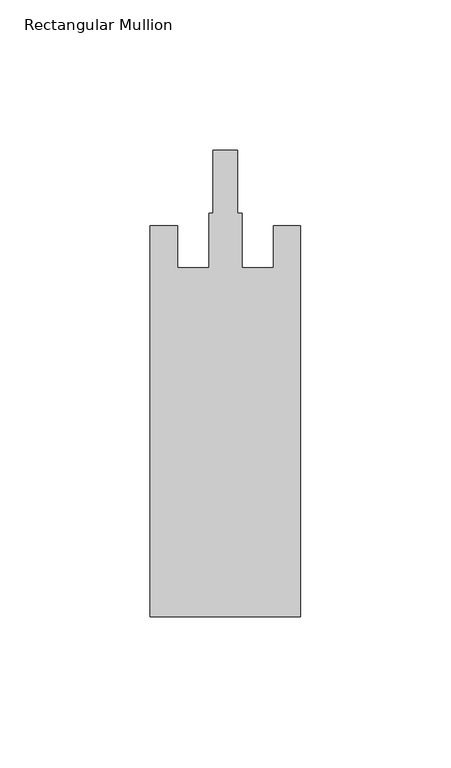
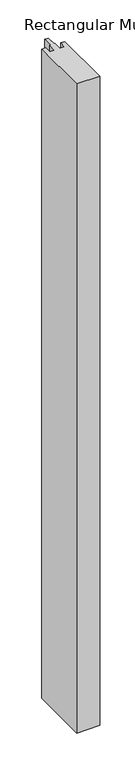
"""IFC4 building model written with IfcOpenShell, lengths in millimetres: member geometry, Rectangular Mullion."""

from ifc_helpers import new_model, si_unit, frame, origin, place, context, project, spatial, polyline, outline, extrude, source, transform, mapped, element, save


def rectangular_mullion_470472ae(model_context):
    return source(origin(), model_context, "Body", "SweptSolid", [
        extrude(outline(polyline([(0.0, -162.0), (-50.0, -162.0), (-50.0, -32.0), (-41.0, -32.0), (-41.0, -46.0), (-30.5, -46.0), (-30.5, -27.8), (-29.1, -27.8), (-29.1, -7.0), (-20.9, -7.0), (-20.9, -27.8), (-19.5, -27.8), (-19.5, -46.0), (-9.0, -46.0), (-9.0, -32.0), (0.0, -32.0), (0.0, -162.0)])), frame((0.0, 0.0, -1475.0), z_axis=(0.0, 0.0, 1.0), x_axis=(1.0, 0.0, 0.0)), (0.0, 0.0, 1.0), 1475.0),
    ])


if __name__ == "__main__":
    model = new_model("IFC4")
    model_context = context("Model", 3, world=origin())
    ifc_project = project(units=[si_unit("LENGTHUNIT", "METRE", prefix="MILLI")], contexts=[model_context])
    site = spatial("IfcSite", under=ifc_project)
    building = spatial("IfcBuilding", under=site)
    placement = place(None, origin())
    rectangular_mullion_shape = rectangular_mullion_470472ae(model_context)
    element("IfcMember", 1, ObjectType="Rectangular Mullion", at=placement, inside=building, context=model_context, shape_type="MappedRepresentation", body=[
        mapped(rectangular_mullion_shape, transform((0.0, 0.0, 0.0), x_axis=(1.0, 0.0, 0.0), y_axis=(0.0, 1.0, 0.0), z_axis=(0.0, 0.0, 1.0))),
    ])
    save(model, "model.ifc")
